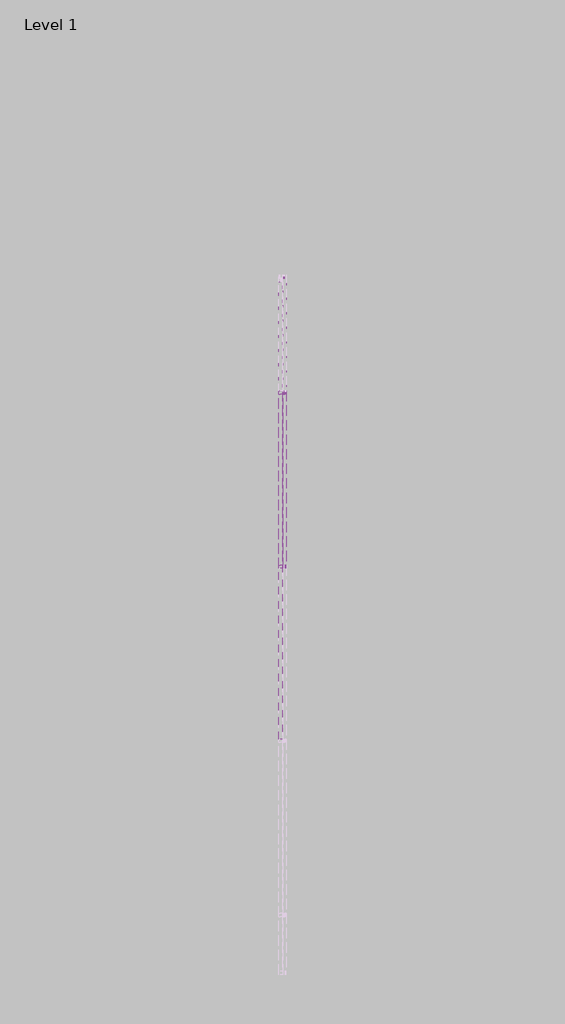
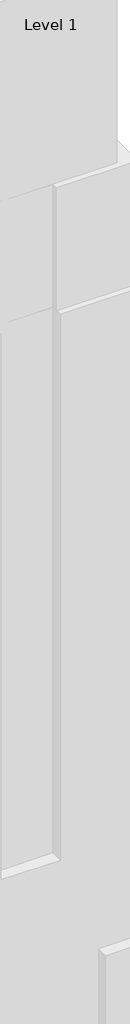
# One storey, part 28 of 29: 111 plates, 4 members.
"""IFC4 building model written with IfcOpenShell, lengths in millimetres."""

import ifcopenshell
import ifcopenshell.guid

model = None  # the IFC model being written
_history = None  # IfcOwnerHistory: only IFC2X3 demands one
_inside = {}  # id of a spatial element -> (the spatial element, [elements in it])
_under = {}  # id of a project, library or spatial element -> (it, [spatial elements below it])
_declared = {}  # id of a project -> (the project, [libraries it declares])
_typed = {}  # id of a type object -> (the type object, [elements of that type])
_made_of = {}  # id of a material, layer set ... -> (it, [elements and type objects made of it])


def new_model(schema):
    """Start an empty IFC model of exactly this schema.

    Asked for "IFC4X3", IfcOpenShell would pick the latest addendum, in which some entities
    have other attributes; the version numbers below select the first issue.
    IFC2X3 requires an IfcOwnerHistory on every rooted entity: one is made here for all.
    """
    global model, _history
    if schema == "IFC4X3":
        model = ifcopenshell.file(schema_version=(4, 3, 0, 0))
    else:
        model = ifcopenshell.file(schema=schema)
    _inside.clear()
    _under.clear()
    _declared.clear()
    _typed.clear()
    _made_of.clear()
    _history = None
    if model.schema == "IFC2X3":
        org = make("IfcOrganization", Name="unknown")
        user = make(
            "IfcPersonAndOrganization",
            ThePerson=make("IfcPerson", FamilyName="unknown"),
            TheOrganization=org,
        )
        app = make(
            "IfcApplication",
            ApplicationDeveloper=org,
            Version="unknown",
            ApplicationFullName="unknown",
            ApplicationIdentifier="unknown",
        )
        _history = make(
            "IfcOwnerHistory",
            OwningUser=user,
            OwningApplication=app,
            ChangeAction="ADDED",
            CreationDate=0,
        )
    return model


def make(cls, **values):
    """One entity of the class cls with the attributes given. An attribute that is None is left unset."""
    return model.create_entity(
        cls, **{name: value for name, value in values.items() if value is not None}
    )


def rooted(cls, **values):
    """An entity with a GlobalId (a new one), such as an element, a storey or a relation."""
    return make(cls, GlobalId=ifcopenshell.guid.new(), OwnerHistory=_history, **values)


def si_unit(unit_type, name, prefix=None):
    """IfcSIUnit, for example si_unit("LENGTHUNIT", "METRE", prefix="MILLI")."""
    return make("IfcSIUnit", UnitType=unit_type, Prefix=prefix, Name=name)


def assignment(units):
    """IfcUnitAssignment: the units of a project."""
    return None if units is None else make("IfcUnitAssignment", Units=units)


def point(xyz):
    """IfcCartesianPoint."""
    return None if xyz is None else make("IfcCartesianPoint", Coordinates=xyz)


def direction(xyz):
    """IfcDirection."""
    return None if xyz is None else make("IfcDirection", DirectionRatios=xyz)


def frame(location, z_axis=None, x_axis=None):
    """IfcAxis2Placement3D, a coordinate frame: its origin and axes. An axis left out is left unset."""
    return make(
        "IfcAxis2Placement3D",
        Location=point(location),
        Axis=direction(z_axis),
        RefDirection=direction(x_axis),
    )


def origin():
    """The frame at (0, 0, 0) with its axes left unset."""
    return frame((0.0, 0.0, 0.0))


def origin_with_axes():
    """The frame at (0, 0, 0) with the z axis (0, 0, 1) and the x axis (1, 0, 0) written out."""
    return frame((0.0, 0.0, 0.0), z_axis=(0.0, 0.0, 1.0), x_axis=(1.0, 0.0, 0.0))


def place(relative_to, where):
    """IfcLocalPlacement: puts the frame where relative to a parent placement (None: the world)."""
    return make(
        "IfcLocalPlacement", PlacementRelTo=relative_to, RelativePlacement=where
    )


def context(
    kind, dimensions, precision=None, world=None, true_north=None, identifier=None
):
    """IfcGeometricRepresentationContext, for example the 3D "Model" context."""
    return make(
        "IfcGeometricRepresentationContext",
        ContextIdentifier=identifier,
        ContextType=kind,
        CoordinateSpaceDimension=dimensions,
        Precision=precision,
        WorldCoordinateSystem=world,
        TrueNorth=true_north,
    )


def project(units=None, contexts=None):
    """IfcProject with its units and contexts."""
    return rooted(
        "IfcProject",
        Name="project",
        RepresentationContexts=contexts,
        UnitsInContext=assignment(units),
    )


def spatial(cls, under=None, at=None, **own):
    """A site, building, storey or space (cls), placed at a placement, below another one or the project."""
    s = rooted(cls, ObjectPlacement=at, **own)
    if under is not None:
        _under.setdefault(under.id(), (under, []))[1].append(s)
    return s


def polyline(points):
    """IfcPolyline through the points."""
    return make("IfcPolyline", Points=[point(p) for p in points])


def outline(outer, holes=None, kind="AREA"):
    """IfcArbitraryClosedProfileDef: a profile drawn as a closed curve; with holes, ...WithVoids."""
    if holes is None:
        return make("IfcArbitraryClosedProfileDef", ProfileType=kind, OuterCurve=outer)
    return make(
        "IfcArbitraryProfileDefWithVoids",
        ProfileType=kind,
        OuterCurve=outer,
        InnerCurves=holes,
    )


def extrude(swept, where, along, depth):
    """IfcExtrudedAreaSolid: the profile swept, set in the frame where, extruded along a direction by depth."""
    return make(
        "IfcExtrudedAreaSolid",
        SweptArea=swept,
        Position=where,
        ExtrudedDirection=direction(along),
        Depth=depth,
    )


def shape(context_of_items, identifier, shape_type, items):
    """IfcShapeRepresentation: the items that make up one representation, for example the "Body"."""
    return make(
        "IfcShapeRepresentation",
        ContextOfItems=context_of_items,
        RepresentationIdentifier=identifier,
        RepresentationType=shape_type,
        Items=items,
    )


def source(mapping_origin, context_of_items, identifier, shape_type, items):
    """IfcRepresentationMap: a shape defined once, which mapped items show again and again."""
    return make(
        "IfcRepresentationMap",
        MappingOrigin=mapping_origin,
        MappedRepresentation=shape(context_of_items, identifier, shape_type, items),
    )


def transform(
    local_origin,
    x_axis=None,
    y_axis=None,
    z_axis=None,
    scale=None,
    scale2=None,
    scale3=None,
    uniform=True,
):
    """IfcCartesianTransformationOperator3D, or its non-uniform kind. x_axis, y_axis, z_axis: its Axis1, 2, 3."""
    if uniform:
        return make(
            "IfcCartesianTransformationOperator3D",
            Axis1=direction(x_axis),
            Axis2=direction(y_axis),
            LocalOrigin=point(local_origin),
            Scale=scale,
            Axis3=direction(z_axis),
        )
    return make(
        "IfcCartesianTransformationOperator3DnonUniform",
        Axis1=direction(x_axis),
        Axis2=direction(y_axis),
        LocalOrigin=point(local_origin),
        Scale=scale,
        Axis3=direction(z_axis),
        Scale2=scale2,
        Scale3=scale3,
    )


def mapped(mapping_source, mapping_target):
    """IfcMappedItem: shows the shape of a source again, moved by a transform."""
    return make(
        "IfcMappedItem", MappingSource=mapping_source, MappingTarget=mapping_target
    )


def made_of(thing, what):
    """Note that an element or type object is made of a material, layer set ...; save() writes the relation."""
    if what is not None:
        _made_of.setdefault(what.id(), (what, []))[1].append(thing)
    return thing


def element(
    cls,
    number,
    at=None,
    inside=None,
    cuts=None,
    type_object=None,
    material=None,
    context=None,
    identifier="Body",
    shape_type=None,
    held_by="IfcProductDefinitionShape",
    body=None,
    shapes=None,
    **own,
):
    """One element of the class cls, such as IfcWall. Its Tag is "e" and its number.

    at: its placement. inside: the storey or other place that contains it. cuts: it is an
    opening in that element (IfcRelVoidsElement). A single representation is given by context,
    identifier, shape_type and body (its items); several are given by shapes. held_by: the class
    of the entity that holds the representations. save() writes the other relations.
    """
    e = rooted(cls, Tag="e%d" % number, ObjectPlacement=at, **own)
    if body is not None:
        shapes = [shape(context, identifier, shape_type, body)]
    if shapes is not None:
        e.Representation = make(held_by, Representations=shapes)
    if inside is not None:
        _inside.setdefault(inside.id(), (inside, []))[1].append(e)
    if cuts is not None:
        rooted(
            "IfcRelVoidsElement", RelatingBuildingElement=cuts, RelatedOpeningElement=e
        )
    if type_object is not None:
        _typed.setdefault(type_object.id(), (type_object, []))[1].append(e)
    return made_of(e, material)


def aggregate(whole, parts):
    """IfcRelAggregates: a whole, such as a stair, and the parts it consists of."""
    return rooted("IfcRelAggregates", RelatingObject=whole, RelatedObjects=parts)


def save(model, path):
    """Write the relations noted so far, then the file.

    IfcRelAggregates (storeys below a building ...), IfcRelContainedInSpatialStructure (elements
    in a storey), IfcRelDefinesByType, IfcRelAssociatesMaterial and IfcRelDeclares: one each for
    every whole, place, type object, material and project.
    """
    for whole, parts in _under.values():
        aggregate(whole, parts)
    for where, things in _inside.values():
        rooted(
            "IfcRelContainedInSpatialStructure",
            RelatedElements=things,
            RelatingStructure=where,
        )
    for kind, things in _typed.values():
        rooted("IfcRelDefinesByType", RelatedObjects=things, RelatingType=kind)
    for what, things in _made_of.values():
        rooted("IfcRelAssociatesMaterial", RelatedObjects=things, RelatingMaterial=what)
    for by, libraries in _declared.values():
        rooted("IfcRelDeclares", RelatingContext=by, RelatedDefinitions=libraries)
    model.write(path)


def rectangular_mullion_30mm_square_0448d2ee(model_context):
    return source(origin(), model_context, "Body", "SweptSolid", [
        extrude(outline(polyline([(0.0, 15.0), (0.0, -15.0), (-30.0, -15.0), (-30.0, 15.0), (0.0, 15.0)])), frame((0.0, 0.0, -1500.0), z_axis=(0.0, 0.0, 1.0), x_axis=(1.0, 0.0, 0.0)), (0.0, 0.0, 1.0), 1500.0),
    ])


def rectangular_mullion_30mm_square_caf78da9(model_context):
    return source(origin(), model_context, "Body", "SweptSolid", [
        extrude(outline(polyline([(0.0, 15.0), (0.0, -15.0), (-30.0, -15.0), (-30.0, 15.0), (0.0, 15.0)])), frame((0.0, 0.0, -970.0), z_axis=(0.0, 0.0, 1.0), x_axis=(1.0, 0.0, 0.0)), (0.0, 0.0, 1.0), 970.0),
    ])


def system_panel_glazed_328a1fc4(model_context):
    return source(origin(), model_context, "Body", "SweptSolid", [
        extrude(outline(polyline([(750.0, -49.5), (-750.0, -49.5), (-750.0, -24.5), (750.0, -24.5), (750.0, -49.5)])), origin_with_axes(), (0.0, 0.0, 1.0), 2500.0),
    ])


def system_panel_glazed_46baef61(model_context):
    return source(origin(), model_context, "Body", "SweptSolid", [
        extrude(outline(polyline([(500.0, -49.5), (-500.0, -49.5), (-500.0, -24.5), (500.0, -24.5), (500.0, -49.5)])), origin_with_axes(), (0.0, 0.0, 1.0), 2500.0),
    ])


def system_panel_glazed_00ce7913(model_context):
    return source(origin(), model_context, "Body", "SweptSolid", [
        extrude(outline(polyline([(750.0, -49.5), (-750.0, -49.5), (-750.0, -24.5), (750.0, -24.5), (750.0, -49.5)])), origin_with_axes(), (0.0, 0.0, 1.0), 2300.0),
    ])


model = new_model("IFC4")

# Units and contexts
model_context = context("Model", 3, world=origin())
ifc_project = project(units=[si_unit("LENGTHUNIT", "METRE", prefix="MILLI")], contexts=[model_context])

# Site, building, storey
site = spatial("IfcSite", under=ifc_project)
building = spatial("IfcBuilding", under=site)
storey = spatial("IfcBuildingStorey", under=building, Name="Level 1", Elevation=0.0)

# Members
placement = place(None, origin())
rectangular_mullion_30mm_square_shape = rectangular_mullion_30mm_square_0448d2ee(model_context)
element("IfcMember", 1, ObjectType="Rectangular Mullion : 30mm Square", at=placement, inside=storey, context=model_context, shape_type="MappedRepresentation", body=[
    mapped(rectangular_mullion_30mm_square_shape, transform((27779.9951476, 18553.1129705, 300200.0), x_axis=(0.0, 0.0, 1.0), y_axis=(1.0, 0.0, 0.0), z_axis=(0.0, 1.0, 0.0))),
])
element("IfcMember", 2, ObjectType="Rectangular Mullion : 30mm Square", at=placement, inside=storey, context=model_context, shape_type="MappedRepresentation", body=[
    mapped(rectangular_mullion_30mm_square_shape, transform((27779.9951476, 20053.1129705, 300200.0), x_axis=(0.0, 0.0, 1.0), y_axis=(1.0, 0.0, 0.0), z_axis=(0.0, 1.0, 0.0))),
])
element("IfcMember", 3, ObjectType="Rectangular Mullion : 30mm Square", at=placement, inside=storey, context=model_context, shape_type="MappedRepresentation", body=[
    mapped(rectangular_mullion_30mm_square_shape, transform((27779.9951476, 18553.1129705, 140400.0), x_axis=(0.0, 0.0, -1.0), y_axis=(1.0, 0.0, 0.0), z_axis=(0.0, -1.0, 0.0))),
])
rectangular_mullion_30mm_square_2_shape = rectangular_mullion_30mm_square_caf78da9(model_context)
element("IfcMember", 4, ObjectType="Rectangular Mullion : 30mm Square", at=placement, inside=storey, context=model_context, shape_type="MappedRepresentation", body=[
    mapped(rectangular_mullion_30mm_square_2_shape, transform((27779.9951476, 20053.1129705, 140400.0), x_axis=(0.0, 0.0, -1.0), y_axis=(1.0, 0.0, 0.0), z_axis=(0.0, -1.0, 0.0))),
])

# Plates
system_panel_glazed_shape = system_panel_glazed_328a1fc4(model_context)
element("IfcPlate", 5, ObjectType="System Panel : Glazed", at=placement, inside=storey, context=model_context, shape_type="MappedRepresentation", body=[
    mapped(system_panel_glazed_shape, transform((27779.9951476, 19303.1129705, 140400.0), x_axis=(0.0, 1.0, 0.0), y_axis=(-1.0, 0.0, 0.0), z_axis=(0.0, 0.0, 1.0))),
])
element("IfcPlate", 6, ObjectType="System Panel : Glazed", at=placement, inside=storey, context=model_context, shape_type="MappedRepresentation", body=[
    mapped(system_panel_glazed_shape, transform((27779.9951476, 19303.1129705, 142900.0), x_axis=(0.0, 1.0, 0.0), y_axis=(-1.0, 0.0, 0.0), z_axis=(0.0, 0.0, 1.0))),
])
element("IfcPlate", 7, ObjectType="System Panel : Glazed", at=placement, inside=storey, context=model_context, shape_type="MappedRepresentation", body=[
    mapped(system_panel_glazed_shape, transform((27779.9951476, 19303.1129705, 145400.0), x_axis=(0.0, 1.0, 0.0), y_axis=(-1.0, 0.0, 0.0), z_axis=(0.0, 0.0, 1.0))),
])
element("IfcPlate", 8, ObjectType="System Panel : Glazed", at=placement, inside=storey, context=model_context, shape_type="MappedRepresentation", body=[
    mapped(system_panel_glazed_shape, transform((27779.9951476, 19303.1129705, 147900.0), x_axis=(0.0, 1.0, 0.0), y_axis=(-1.0, 0.0, 0.0), z_axis=(0.0, 0.0, 1.0))),
])
element("IfcPlate", 9, ObjectType="System Panel : Glazed", at=placement, inside=storey, context=model_context, shape_type="MappedRepresentation", body=[
    mapped(system_panel_glazed_shape, transform((27779.9951476, 19303.1129705, 150400.0), x_axis=(0.0, 1.0, 0.0), y_axis=(-1.0, 0.0, 0.0), z_axis=(0.0, 0.0, 1.0))),
])
element("IfcPlate", 10, ObjectType="System Panel : Glazed", at=placement, inside=storey, context=model_context, shape_type="MappedRepresentation", body=[
    mapped(system_panel_glazed_shape, transform((27779.9951476, 19303.1129705, 152900.0), x_axis=(0.0, 1.0, 0.0), y_axis=(-1.0, 0.0, 0.0), z_axis=(0.0, 0.0, 1.0))),
])
element("IfcPlate", 11, ObjectType="System Panel : Glazed", at=placement, inside=storey, context=model_context, shape_type="MappedRepresentation", body=[
    mapped(system_panel_glazed_shape, transform((27779.9951476, 19303.1129705, 155400.0), x_axis=(0.0, 1.0, 0.0), y_axis=(-1.0, 0.0, 0.0), z_axis=(0.0, 0.0, 1.0))),
])
element("IfcPlate", 12, ObjectType="System Panel : Glazed", at=placement, inside=storey, context=model_context, shape_type="MappedRepresentation", body=[
    mapped(system_panel_glazed_shape, transform((27779.9951476, 19303.1129705, 157900.0), x_axis=(0.0, 1.0, 0.0), y_axis=(-1.0, 0.0, 0.0), z_axis=(0.0, 0.0, 1.0))),
])
element("IfcPlate", 13, ObjectType="System Panel : Glazed", at=placement, inside=storey, context=model_context, shape_type="MappedRepresentation", body=[
    mapped(system_panel_glazed_shape, transform((27779.9951476, 19303.1129705, 160400.0), x_axis=(0.0, 1.0, 0.0), y_axis=(-1.0, 0.0, 0.0), z_axis=(0.0, 0.0, 1.0))),
])
element("IfcPlate", 14, ObjectType="System Panel : Glazed", at=placement, inside=storey, context=model_context, shape_type="MappedRepresentation", body=[
    mapped(system_panel_glazed_shape, transform((27779.9951476, 19303.1129705, 162900.0), x_axis=(0.0, 1.0, 0.0), y_axis=(-1.0, 0.0, 0.0), z_axis=(0.0, 0.0, 1.0))),
])
element("IfcPlate", 15, ObjectType="System Panel : Glazed", at=placement, inside=storey, context=model_context, shape_type="MappedRepresentation", body=[
    mapped(system_panel_glazed_shape, transform((27779.9951476, 19303.1129705, 165400.0), x_axis=(0.0, 1.0, 0.0), y_axis=(-1.0, 0.0, 0.0), z_axis=(0.0, 0.0, 1.0))),
])
element("IfcPlate", 16, ObjectType="System Panel : Glazed", at=placement, inside=storey, context=model_context, shape_type="MappedRepresentation", body=[
    mapped(system_panel_glazed_shape, transform((27779.9951476, 19303.1129705, 167900.0), x_axis=(0.0, 1.0, 0.0), y_axis=(-1.0, 0.0, 0.0), z_axis=(0.0, 0.0, 1.0))),
])
element("IfcPlate", 17, ObjectType="System Panel : Glazed", at=placement, inside=storey, context=model_context, shape_type="MappedRepresentation", body=[
    mapped(system_panel_glazed_shape, transform((27779.9951476, 19303.1129705, 170400.0), x_axis=(0.0, 1.0, 0.0), y_axis=(-1.0, 0.0, 0.0), z_axis=(0.0, 0.0, 1.0))),
])
element("IfcPlate", 18, ObjectType="System Panel : Glazed", at=placement, inside=storey, context=model_context, shape_type="MappedRepresentation", body=[
    mapped(system_panel_glazed_shape, transform((27779.9951476, 19303.1129705, 172900.0), x_axis=(0.0, 1.0, 0.0), y_axis=(-1.0, 0.0, 0.0), z_axis=(0.0, 0.0, 1.0))),
])
element("IfcPlate", 19, ObjectType="System Panel : Glazed", at=placement, inside=storey, context=model_context, shape_type="MappedRepresentation", body=[
    mapped(system_panel_glazed_shape, transform((27779.9951476, 19303.1129705, 175400.0), x_axis=(0.0, 1.0, 0.0), y_axis=(-1.0, 0.0, 0.0), z_axis=(0.0, 0.0, 1.0))),
])
element("IfcPlate", 20, ObjectType="System Panel : Glazed", at=placement, inside=storey, context=model_context, shape_type="MappedRepresentation", body=[
    mapped(system_panel_glazed_shape, transform((27779.9951476, 19303.1129705, 177900.0), x_axis=(0.0, 1.0, 0.0), y_axis=(-1.0, 0.0, 0.0), z_axis=(0.0, 0.0, 1.0))),
])
element("IfcPlate", 21, ObjectType="System Panel : Glazed", at=placement, inside=storey, context=model_context, shape_type="MappedRepresentation", body=[
    mapped(system_panel_glazed_shape, transform((27779.9951476, 19303.1129705, 180400.0), x_axis=(0.0, 1.0, 0.0), y_axis=(-1.0, 0.0, 0.0), z_axis=(0.0, 0.0, 1.0))),
])
element("IfcPlate", 22, ObjectType="System Panel : Glazed", at=placement, inside=storey, context=model_context, shape_type="MappedRepresentation", body=[
    mapped(system_panel_glazed_shape, transform((27779.9951476, 19303.1129705, 182900.0), x_axis=(0.0, 1.0, 0.0), y_axis=(-1.0, 0.0, 0.0), z_axis=(0.0, 0.0, 1.0))),
])
element("IfcPlate", 23, ObjectType="System Panel : Glazed", at=placement, inside=storey, context=model_context, shape_type="MappedRepresentation", body=[
    mapped(system_panel_glazed_shape, transform((27779.9951476, 19303.1129705, 185400.0), x_axis=(0.0, 1.0, 0.0), y_axis=(-1.0, 0.0, 0.0), z_axis=(0.0, 0.0, 1.0))),
])
element("IfcPlate", 24, ObjectType="System Panel : Glazed", at=placement, inside=storey, context=model_context, shape_type="MappedRepresentation", body=[
    mapped(system_panel_glazed_shape, transform((27779.9951476, 19303.1129705, 187900.0), x_axis=(0.0, 1.0, 0.0), y_axis=(-1.0, 0.0, 0.0), z_axis=(0.0, 0.0, 1.0))),
])
element("IfcPlate", 25, ObjectType="System Panel : Glazed", at=placement, inside=storey, context=model_context, shape_type="MappedRepresentation", body=[
    mapped(system_panel_glazed_shape, transform((27779.9951476, 19303.1129705, 190400.0), x_axis=(0.0, 1.0, 0.0), y_axis=(-1.0, 0.0, 0.0), z_axis=(0.0, 0.0, 1.0))),
])
element("IfcPlate", 26, ObjectType="System Panel : Glazed", at=placement, inside=storey, context=model_context, shape_type="MappedRepresentation", body=[
    mapped(system_panel_glazed_shape, transform((27779.9951476, 19303.1129705, 192900.0), x_axis=(0.0, 1.0, 0.0), y_axis=(-1.0, 0.0, 0.0), z_axis=(0.0, 0.0, 1.0))),
])
element("IfcPlate", 27, ObjectType="System Panel : Glazed", at=placement, inside=storey, context=model_context, shape_type="MappedRepresentation", body=[
    mapped(system_panel_glazed_shape, transform((27779.9951476, 19303.1129705, 195400.0), x_axis=(0.0, 1.0, 0.0), y_axis=(-1.0, 0.0, 0.0), z_axis=(0.0, 0.0, 1.0))),
])
element("IfcPlate", 28, ObjectType="System Panel : Glazed", at=placement, inside=storey, context=model_context, shape_type="MappedRepresentation", body=[
    mapped(system_panel_glazed_shape, transform((27779.9951476, 19303.1129705, 197900.0), x_axis=(0.0, 1.0, 0.0), y_axis=(-1.0, 0.0, 0.0), z_axis=(0.0, 0.0, 1.0))),
])
element("IfcPlate", 29, ObjectType="System Panel : Glazed", at=placement, inside=storey, context=model_context, shape_type="MappedRepresentation", body=[
    mapped(system_panel_glazed_shape, transform((27779.9951476, 19303.1129705, 200400.0), x_axis=(0.0, 1.0, 0.0), y_axis=(-1.0, 0.0, 0.0), z_axis=(0.0, 0.0, 1.0))),
])
element("IfcPlate", 30, ObjectType="System Panel : Glazed", at=placement, inside=storey, context=model_context, shape_type="MappedRepresentation", body=[
    mapped(system_panel_glazed_shape, transform((27779.9951476, 19303.1129705, 202900.0), x_axis=(0.0, 1.0, 0.0), y_axis=(-1.0, 0.0, 0.0), z_axis=(0.0, 0.0, 1.0))),
])
element("IfcPlate", 31, ObjectType="System Panel : Glazed", at=placement, inside=storey, context=model_context, shape_type="MappedRepresentation", body=[
    mapped(system_panel_glazed_shape, transform((27779.9951476, 19303.1129705, 205400.0), x_axis=(0.0, 1.0, 0.0), y_axis=(-1.0, 0.0, 0.0), z_axis=(0.0, 0.0, 1.0))),
])
element("IfcPlate", 32, ObjectType="System Panel : Glazed", at=placement, inside=storey, context=model_context, shape_type="MappedRepresentation", body=[
    mapped(system_panel_glazed_shape, transform((27779.9951476, 19303.1129705, 207900.0), x_axis=(0.0, 1.0, 0.0), y_axis=(-1.0, 0.0, 0.0), z_axis=(0.0, 0.0, 1.0))),
])
element("IfcPlate", 33, ObjectType="System Panel : Glazed", at=placement, inside=storey, context=model_context, shape_type="MappedRepresentation", body=[
    mapped(system_panel_glazed_shape, transform((27779.9951476, 19303.1129705, 210400.0), x_axis=(0.0, 1.0, 0.0), y_axis=(-1.0, 0.0, 0.0), z_axis=(0.0, 0.0, 1.0))),
])
element("IfcPlate", 34, ObjectType="System Panel : Glazed", at=placement, inside=storey, context=model_context, shape_type="MappedRepresentation", body=[
    mapped(system_panel_glazed_shape, transform((27779.9951476, 19303.1129705, 212900.0), x_axis=(0.0, 1.0, 0.0), y_axis=(-1.0, 0.0, 0.0), z_axis=(0.0, 0.0, 1.0))),
])
element("IfcPlate", 35, ObjectType="System Panel : Glazed", at=placement, inside=storey, context=model_context, shape_type="MappedRepresentation", body=[
    mapped(system_panel_glazed_shape, transform((27779.9951476, 19303.1129705, 215400.0), x_axis=(0.0, 1.0, 0.0), y_axis=(-1.0, 0.0, 0.0), z_axis=(0.0, 0.0, 1.0))),
])
element("IfcPlate", 36, ObjectType="System Panel : Glazed", at=placement, inside=storey, context=model_context, shape_type="MappedRepresentation", body=[
    mapped(system_panel_glazed_shape, transform((27779.9951476, 19303.1129705, 217900.0), x_axis=(0.0, 1.0, 0.0), y_axis=(-1.0, 0.0, 0.0), z_axis=(0.0, 0.0, 1.0))),
])
element("IfcPlate", 37, ObjectType="System Panel : Glazed", at=placement, inside=storey, context=model_context, shape_type="MappedRepresentation", body=[
    mapped(system_panel_glazed_shape, transform((27779.9951476, 19303.1129705, 220400.0), x_axis=(0.0, 1.0, 0.0), y_axis=(-1.0, 0.0, 0.0), z_axis=(0.0, 0.0, 1.0))),
])
element("IfcPlate", 38, ObjectType="System Panel : Glazed", at=placement, inside=storey, context=model_context, shape_type="MappedRepresentation", body=[
    mapped(system_panel_glazed_shape, transform((27779.9951476, 19303.1129705, 222900.0), x_axis=(0.0, 1.0, 0.0), y_axis=(-1.0, 0.0, 0.0), z_axis=(0.0, 0.0, 1.0))),
])
element("IfcPlate", 39, ObjectType="System Panel : Glazed", at=placement, inside=storey, context=model_context, shape_type="MappedRepresentation", body=[
    mapped(system_panel_glazed_shape, transform((27779.9951476, 19303.1129705, 225400.0), x_axis=(0.0, 1.0, 0.0), y_axis=(-1.0, 0.0, 0.0), z_axis=(0.0, 0.0, 1.0))),
])
element("IfcPlate", 40, ObjectType="System Panel : Glazed", at=placement, inside=storey, context=model_context, shape_type="MappedRepresentation", body=[
    mapped(system_panel_glazed_shape, transform((27779.9951476, 19303.1129705, 227900.0), x_axis=(0.0, 1.0, 0.0), y_axis=(-1.0, 0.0, 0.0), z_axis=(0.0, 0.0, 1.0))),
])
element("IfcPlate", 41, ObjectType="System Panel : Glazed", at=placement, inside=storey, context=model_context, shape_type="MappedRepresentation", body=[
    mapped(system_panel_glazed_shape, transform((27779.9951476, 19303.1129705, 230400.0), x_axis=(0.0, 1.0, 0.0), y_axis=(-1.0, 0.0, 0.0), z_axis=(0.0, 0.0, 1.0))),
])
element("IfcPlate", 42, ObjectType="System Panel : Glazed", at=placement, inside=storey, context=model_context, shape_type="MappedRepresentation", body=[
    mapped(system_panel_glazed_shape, transform((27779.9951476, 19303.1129705, 232900.0), x_axis=(0.0, 1.0, 0.0), y_axis=(-1.0, 0.0, 0.0), z_axis=(0.0, 0.0, 1.0))),
])
element("IfcPlate", 43, ObjectType="System Panel : Glazed", at=placement, inside=storey, context=model_context, shape_type="MappedRepresentation", body=[
    mapped(system_panel_glazed_shape, transform((27779.9951476, 19303.1129705, 235400.0), x_axis=(0.0, 1.0, 0.0), y_axis=(-1.0, 0.0, 0.0), z_axis=(0.0, 0.0, 1.0))),
])
element("IfcPlate", 44, ObjectType="System Panel : Glazed", at=placement, inside=storey, context=model_context, shape_type="MappedRepresentation", body=[
    mapped(system_panel_glazed_shape, transform((27779.9951476, 19303.1129705, 237900.0), x_axis=(0.0, 1.0, 0.0), y_axis=(-1.0, 0.0, 0.0), z_axis=(0.0, 0.0, 1.0))),
])
element("IfcPlate", 45, ObjectType="System Panel : Glazed", at=placement, inside=storey, context=model_context, shape_type="MappedRepresentation", body=[
    mapped(system_panel_glazed_shape, transform((27779.9951476, 19303.1129705, 240400.0), x_axis=(0.0, 1.0, 0.0), y_axis=(-1.0, 0.0, 0.0), z_axis=(0.0, 0.0, 1.0))),
])
element("IfcPlate", 46, ObjectType="System Panel : Glazed", at=placement, inside=storey, context=model_context, shape_type="MappedRepresentation", body=[
    mapped(system_panel_glazed_shape, transform((27779.9951476, 19303.1129705, 242900.0), x_axis=(0.0, 1.0, 0.0), y_axis=(-1.0, 0.0, 0.0), z_axis=(0.0, 0.0, 1.0))),
])
element("IfcPlate", 47, ObjectType="System Panel : Glazed", at=placement, inside=storey, context=model_context, shape_type="MappedRepresentation", body=[
    mapped(system_panel_glazed_shape, transform((27779.9951476, 19303.1129705, 245400.0), x_axis=(0.0, 1.0, 0.0), y_axis=(-1.0, 0.0, 0.0), z_axis=(0.0, 0.0, 1.0))),
])
element("IfcPlate", 48, ObjectType="System Panel : Glazed", at=placement, inside=storey, context=model_context, shape_type="MappedRepresentation", body=[
    mapped(system_panel_glazed_shape, transform((27779.9951476, 19303.1129705, 247900.0), x_axis=(0.0, 1.0, 0.0), y_axis=(-1.0, 0.0, 0.0), z_axis=(0.0, 0.0, 1.0))),
])
element("IfcPlate", 49, ObjectType="System Panel : Glazed", at=placement, inside=storey, context=model_context, shape_type="MappedRepresentation", body=[
    mapped(system_panel_glazed_shape, transform((27779.9951476, 19303.1129705, 250400.0), x_axis=(0.0, 1.0, 0.0), y_axis=(-1.0, 0.0, 0.0), z_axis=(0.0, 0.0, 1.0))),
])
element("IfcPlate", 50, ObjectType="System Panel : Glazed", at=placement, inside=storey, context=model_context, shape_type="MappedRepresentation", body=[
    mapped(system_panel_glazed_shape, transform((27779.9951476, 19303.1129705, 252900.0), x_axis=(0.0, 1.0, 0.0), y_axis=(-1.0, 0.0, 0.0), z_axis=(0.0, 0.0, 1.0))),
])
element("IfcPlate", 51, ObjectType="System Panel : Glazed", at=placement, inside=storey, context=model_context, shape_type="MappedRepresentation", body=[
    mapped(system_panel_glazed_shape, transform((27779.9951476, 19303.1129705, 255400.0), x_axis=(0.0, 1.0, 0.0), y_axis=(-1.0, 0.0, 0.0), z_axis=(0.0, 0.0, 1.0))),
])
element("IfcPlate", 52, ObjectType="System Panel : Glazed", at=placement, inside=storey, context=model_context, shape_type="MappedRepresentation", body=[
    mapped(system_panel_glazed_shape, transform((27779.9951476, 19303.1129705, 257900.0), x_axis=(0.0, 1.0, 0.0), y_axis=(-1.0, 0.0, 0.0), z_axis=(0.0, 0.0, 1.0))),
])
element("IfcPlate", 53, ObjectType="System Panel : Glazed", at=placement, inside=storey, context=model_context, shape_type="MappedRepresentation", body=[
    mapped(system_panel_glazed_shape, transform((27779.9951476, 19303.1129705, 260400.0), x_axis=(0.0, 1.0, 0.0), y_axis=(-1.0, 0.0, 0.0), z_axis=(0.0, 0.0, 1.0))),
])
element("IfcPlate", 54, ObjectType="System Panel : Glazed", at=placement, inside=storey, context=model_context, shape_type="MappedRepresentation", body=[
    mapped(system_panel_glazed_shape, transform((27779.9951476, 19303.1129705, 262900.0), x_axis=(0.0, 1.0, 0.0), y_axis=(-1.0, 0.0, 0.0), z_axis=(0.0, 0.0, 1.0))),
])
element("IfcPlate", 55, ObjectType="System Panel : Glazed", at=placement, inside=storey, context=model_context, shape_type="MappedRepresentation", body=[
    mapped(system_panel_glazed_shape, transform((27779.9951476, 19303.1129705, 265400.0), x_axis=(0.0, 1.0, 0.0), y_axis=(-1.0, 0.0, 0.0), z_axis=(0.0, 0.0, 1.0))),
])
element("IfcPlate", 56, ObjectType="System Panel : Glazed", at=placement, inside=storey, context=model_context, shape_type="MappedRepresentation", body=[
    mapped(system_panel_glazed_shape, transform((27779.9951476, 19303.1129705, 267900.0), x_axis=(0.0, 1.0, 0.0), y_axis=(-1.0, 0.0, 0.0), z_axis=(0.0, 0.0, 1.0))),
])
element("IfcPlate", 57, ObjectType="System Panel : Glazed", at=placement, inside=storey, context=model_context, shape_type="MappedRepresentation", body=[
    mapped(system_panel_glazed_shape, transform((27779.9951476, 19303.1129705, 270400.0), x_axis=(0.0, 1.0, 0.0), y_axis=(-1.0, 0.0, 0.0), z_axis=(0.0, 0.0, 1.0))),
])
element("IfcPlate", 58, ObjectType="System Panel : Glazed", at=placement, inside=storey, context=model_context, shape_type="MappedRepresentation", body=[
    mapped(system_panel_glazed_shape, transform((27779.9951476, 19303.1129705, 272900.0), x_axis=(0.0, 1.0, 0.0), y_axis=(-1.0, 0.0, 0.0), z_axis=(0.0, 0.0, 1.0))),
])
element("IfcPlate", 59, ObjectType="System Panel : Glazed", at=placement, inside=storey, context=model_context, shape_type="MappedRepresentation", body=[
    mapped(system_panel_glazed_shape, transform((27779.9951476, 19303.1129705, 275400.0), x_axis=(0.0, 1.0, 0.0), y_axis=(-1.0, 0.0, 0.0), z_axis=(0.0, 0.0, 1.0))),
])
element("IfcPlate", 60, ObjectType="System Panel : Glazed", at=placement, inside=storey, context=model_context, shape_type="MappedRepresentation", body=[
    mapped(system_panel_glazed_shape, transform((27779.9951476, 19303.1129705, 277900.0), x_axis=(0.0, 1.0, 0.0), y_axis=(-1.0, 0.0, 0.0), z_axis=(0.0, 0.0, 1.0))),
])
element("IfcPlate", 61, ObjectType="System Panel : Glazed", at=placement, inside=storey, context=model_context, shape_type="MappedRepresentation", body=[
    mapped(system_panel_glazed_shape, transform((27779.9951476, 19303.1129705, 280400.0), x_axis=(0.0, 1.0, 0.0), y_axis=(-1.0, 0.0, 0.0), z_axis=(0.0, 0.0, 1.0))),
])
element("IfcPlate", 62, ObjectType="System Panel : Glazed", at=placement, inside=storey, context=model_context, shape_type="MappedRepresentation", body=[
    mapped(system_panel_glazed_shape, transform((27779.9951476, 19303.1129705, 282900.0), x_axis=(0.0, 1.0, 0.0), y_axis=(-1.0, 0.0, 0.0), z_axis=(0.0, 0.0, 1.0))),
])
element("IfcPlate", 63, ObjectType="System Panel : Glazed", at=placement, inside=storey, context=model_context, shape_type="MappedRepresentation", body=[
    mapped(system_panel_glazed_shape, transform((27779.9951476, 19303.1129705, 285400.0), x_axis=(0.0, 1.0, 0.0), y_axis=(-1.0, 0.0, 0.0), z_axis=(0.0, 0.0, 1.0))),
])
element("IfcPlate", 64, ObjectType="System Panel : Glazed", at=placement, inside=storey, context=model_context, shape_type="MappedRepresentation", body=[
    mapped(system_panel_glazed_shape, transform((27779.9951476, 19303.1129705, 287900.0), x_axis=(0.0, 1.0, 0.0), y_axis=(-1.0, 0.0, 0.0), z_axis=(0.0, 0.0, 1.0))),
])
element("IfcPlate", 65, ObjectType="System Panel : Glazed", at=placement, inside=storey, context=model_context, shape_type="MappedRepresentation", body=[
    mapped(system_panel_glazed_shape, transform((27779.9951476, 19303.1129705, 290400.0), x_axis=(0.0, 1.0, 0.0), y_axis=(-1.0, 0.0, 0.0), z_axis=(0.0, 0.0, 1.0))),
])
element("IfcPlate", 66, ObjectType="System Panel : Glazed", at=placement, inside=storey, context=model_context, shape_type="MappedRepresentation", body=[
    mapped(system_panel_glazed_shape, transform((27779.9951476, 19303.1129705, 292900.0), x_axis=(0.0, 1.0, 0.0), y_axis=(-1.0, 0.0, 0.0), z_axis=(0.0, 0.0, 1.0))),
])
element("IfcPlate", 67, ObjectType="System Panel : Glazed", at=placement, inside=storey, context=model_context, shape_type="MappedRepresentation", body=[
    mapped(system_panel_glazed_shape, transform((27779.9951476, 19303.1129705, 295400.0), x_axis=(0.0, 1.0, 0.0), y_axis=(-1.0, 0.0, 0.0), z_axis=(0.0, 0.0, 1.0))),
])
system_panel_glazed_2_shape = system_panel_glazed_46baef61(model_context)
element("IfcPlate", 68, ObjectType="System Panel : Glazed", at=placement, inside=storey, context=model_context, shape_type="MappedRepresentation", body=[
    mapped(system_panel_glazed_2_shape, transform((27779.9951476, 20553.1129705, 140400.0), x_axis=(0.0, 1.0, 0.0), y_axis=(-1.0, 0.0, 0.0), z_axis=(0.0, 0.0, 1.0))),
])
element("IfcPlate", 69, ObjectType="System Panel : Glazed", at=placement, inside=storey, context=model_context, shape_type="MappedRepresentation", body=[
    mapped(system_panel_glazed_2_shape, transform((27779.9951476, 20553.1129705, 142900.0), x_axis=(0.0, 1.0, 0.0), y_axis=(-1.0, 0.0, 0.0), z_axis=(0.0, 0.0, 1.0))),
])
element("IfcPlate", 70, ObjectType="System Panel : Glazed", at=placement, inside=storey, context=model_context, shape_type="MappedRepresentation", body=[
    mapped(system_panel_glazed_2_shape, transform((27779.9951476, 20553.1129705, 145400.0), x_axis=(0.0, 1.0, 0.0), y_axis=(-1.0, 0.0, 0.0), z_axis=(0.0, 0.0, 1.0))),
])
element("IfcPlate", 71, ObjectType="System Panel : Glazed", at=placement, inside=storey, context=model_context, shape_type="MappedRepresentation", body=[
    mapped(system_panel_glazed_2_shape, transform((27779.9951476, 20553.1129705, 147900.0), x_axis=(0.0, 1.0, 0.0), y_axis=(-1.0, 0.0, 0.0), z_axis=(0.0, 0.0, 1.0))),
])
element("IfcPlate", 72, ObjectType="System Panel : Glazed", at=placement, inside=storey, context=model_context, shape_type="MappedRepresentation", body=[
    mapped(system_panel_glazed_2_shape, transform((27779.9951476, 20553.1129705, 150400.0), x_axis=(0.0, 1.0, 0.0), y_axis=(-1.0, 0.0, 0.0), z_axis=(0.0, 0.0, 1.0))),
])
element("IfcPlate", 73, ObjectType="System Panel : Glazed", at=placement, inside=storey, context=model_context, shape_type="MappedRepresentation", body=[
    mapped(system_panel_glazed_2_shape, transform((27779.9951476, 20553.1129705, 152900.0), x_axis=(0.0, 1.0, 0.0), y_axis=(-1.0, 0.0, 0.0), z_axis=(0.0, 0.0, 1.0))),
])
element("IfcPlate", 74, ObjectType="System Panel : Glazed", at=placement, inside=storey, context=model_context, shape_type="MappedRepresentation", body=[
    mapped(system_panel_glazed_2_shape, transform((27779.9951476, 20553.1129705, 155400.0), x_axis=(0.0, 1.0, 0.0), y_axis=(-1.0, 0.0, 0.0), z_axis=(0.0, 0.0, 1.0))),
])
element("IfcPlate", 75, ObjectType="System Panel : Glazed", at=placement, inside=storey, context=model_context, shape_type="MappedRepresentation", body=[
    mapped(system_panel_glazed_2_shape, transform((27779.9951476, 20553.1129705, 157900.0), x_axis=(0.0, 1.0, 0.0), y_axis=(-1.0, 0.0, 0.0), z_axis=(0.0, 0.0, 1.0))),
])
element("IfcPlate", 76, ObjectType="System Panel : Glazed", at=placement, inside=storey, context=model_context, shape_type="MappedRepresentation", body=[
    mapped(system_panel_glazed_2_shape, transform((27779.9951476, 20553.1129705, 160400.0), x_axis=(0.0, 1.0, 0.0), y_axis=(-1.0, 0.0, 0.0), z_axis=(0.0, 0.0, 1.0))),
])
element("IfcPlate", 77, ObjectType="System Panel : Glazed", at=placement, inside=storey, context=model_context, shape_type="MappedRepresentation", body=[
    mapped(system_panel_glazed_2_shape, transform((27779.9951476, 20553.1129705, 162900.0), x_axis=(0.0, 1.0, 0.0), y_axis=(-1.0, 0.0, 0.0), z_axis=(0.0, 0.0, 1.0))),
])
element("IfcPlate", 78, ObjectType="System Panel : Glazed", at=placement, inside=storey, context=model_context, shape_type="MappedRepresentation", body=[
    mapped(system_panel_glazed_2_shape, transform((27779.9951476, 20553.1129705, 165400.0), x_axis=(0.0, 1.0, 0.0), y_axis=(-1.0, 0.0, 0.0), z_axis=(0.0, 0.0, 1.0))),
])
element("IfcPlate", 79, ObjectType="System Panel : Glazed", at=placement, inside=storey, context=model_context, shape_type="MappedRepresentation", body=[
    mapped(system_panel_glazed_2_shape, transform((27779.9951476, 20553.1129705, 167900.0), x_axis=(0.0, 1.0, 0.0), y_axis=(-1.0, 0.0, 0.0), z_axis=(0.0, 0.0, 1.0))),
])
element("IfcPlate", 80, ObjectType="System Panel : Glazed", at=placement, inside=storey, context=model_context, shape_type="MappedRepresentation", body=[
    mapped(system_panel_glazed_2_shape, transform((27779.9951476, 20553.1129705, 170400.0), x_axis=(0.0, 1.0, 0.0), y_axis=(-1.0, 0.0, 0.0), z_axis=(0.0, 0.0, 1.0))),
])
element("IfcPlate", 81, ObjectType="System Panel : Glazed", at=placement, inside=storey, context=model_context, shape_type="MappedRepresentation", body=[
    mapped(system_panel_glazed_2_shape, transform((27779.9951476, 20553.1129705, 172900.0), x_axis=(0.0, 1.0, 0.0), y_axis=(-1.0, 0.0, 0.0), z_axis=(0.0, 0.0, 1.0))),
])
element("IfcPlate", 82, ObjectType="System Panel : Glazed", at=placement, inside=storey, context=model_context, shape_type="MappedRepresentation", body=[
    mapped(system_panel_glazed_2_shape, transform((27779.9951476, 20553.1129705, 175400.0), x_axis=(0.0, 1.0, 0.0), y_axis=(-1.0, 0.0, 0.0), z_axis=(0.0, 0.0, 1.0))),
])
element("IfcPlate", 83, ObjectType="System Panel : Glazed", at=placement, inside=storey, context=model_context, shape_type="MappedRepresentation", body=[
    mapped(system_panel_glazed_2_shape, transform((27779.9951476, 20553.1129705, 177900.0), x_axis=(0.0, 1.0, 0.0), y_axis=(-1.0, 0.0, 0.0), z_axis=(0.0, 0.0, 1.0))),
])
element("IfcPlate", 84, ObjectType="System Panel : Glazed", at=placement, inside=storey, context=model_context, shape_type="MappedRepresentation", body=[
    mapped(system_panel_glazed_2_shape, transform((27779.9951476, 20553.1129705, 180400.0), x_axis=(0.0, 1.0, 0.0), y_axis=(-1.0, 0.0, 0.0), z_axis=(0.0, 0.0, 1.0))),
])
element("IfcPlate", 85, ObjectType="System Panel : Glazed", at=placement, inside=storey, context=model_context, shape_type="MappedRepresentation", body=[
    mapped(system_panel_glazed_2_shape, transform((27779.9951476, 20553.1129705, 182900.0), x_axis=(0.0, 1.0, 0.0), y_axis=(-1.0, 0.0, 0.0), z_axis=(0.0, 0.0, 1.0))),
])
element("IfcPlate", 86, ObjectType="System Panel : Glazed", at=placement, inside=storey, context=model_context, shape_type="MappedRepresentation", body=[
    mapped(system_panel_glazed_2_shape, transform((27779.9951476, 20553.1129705, 185400.0), x_axis=(0.0, 1.0, 0.0), y_axis=(-1.0, 0.0, 0.0), z_axis=(0.0, 0.0, 1.0))),
])
element("IfcPlate", 87, ObjectType="System Panel : Glazed", at=placement, inside=storey, context=model_context, shape_type="MappedRepresentation", body=[
    mapped(system_panel_glazed_2_shape, transform((27779.9951476, 20553.1129705, 187900.0), x_axis=(0.0, 1.0, 0.0), y_axis=(-1.0, 0.0, 0.0), z_axis=(0.0, 0.0, 1.0))),
])
element("IfcPlate", 88, ObjectType="System Panel : Glazed", at=placement, inside=storey, context=model_context, shape_type="MappedRepresentation", body=[
    mapped(system_panel_glazed_2_shape, transform((27779.9951476, 20553.1129705, 190400.0), x_axis=(0.0, 1.0, 0.0), y_axis=(-1.0, 0.0, 0.0), z_axis=(0.0, 0.0, 1.0))),
])
element("IfcPlate", 89, ObjectType="System Panel : Glazed", at=placement, inside=storey, context=model_context, shape_type="MappedRepresentation", body=[
    mapped(system_panel_glazed_2_shape, transform((27779.9951476, 20553.1129705, 192900.0), x_axis=(0.0, 1.0, 0.0), y_axis=(-1.0, 0.0, 0.0), z_axis=(0.0, 0.0, 1.0))),
])
element("IfcPlate", 90, ObjectType="System Panel : Glazed", at=placement, inside=storey, context=model_context, shape_type="MappedRepresentation", body=[
    mapped(system_panel_glazed_2_shape, transform((27779.9951476, 20553.1129705, 195400.0), x_axis=(0.0, 1.0, 0.0), y_axis=(-1.0, 0.0, 0.0), z_axis=(0.0, 0.0, 1.0))),
])
element("IfcPlate", 91, ObjectType="System Panel : Glazed", at=placement, inside=storey, context=model_context, shape_type="MappedRepresentation", body=[
    mapped(system_panel_glazed_2_shape, transform((27779.9951476, 20553.1129705, 197900.0), x_axis=(0.0, 1.0, 0.0), y_axis=(-1.0, 0.0, 0.0), z_axis=(0.0, 0.0, 1.0))),
])
element("IfcPlate", 92, ObjectType="System Panel : Glazed", at=placement, inside=storey, context=model_context, shape_type="MappedRepresentation", body=[
    mapped(system_panel_glazed_2_shape, transform((27779.9951476, 20553.1129705, 200400.0), x_axis=(0.0, 1.0, 0.0), y_axis=(-1.0, 0.0, 0.0), z_axis=(0.0, 0.0, 1.0))),
])
element("IfcPlate", 93, ObjectType="System Panel : Glazed", at=placement, inside=storey, context=model_context, shape_type="MappedRepresentation", body=[
    mapped(system_panel_glazed_2_shape, transform((27779.9951476, 20553.1129705, 202900.0), x_axis=(0.0, 1.0, 0.0), y_axis=(-1.0, 0.0, 0.0), z_axis=(0.0, 0.0, 1.0))),
])
element("IfcPlate", 94, ObjectType="System Panel : Glazed", at=placement, inside=storey, context=model_context, shape_type="MappedRepresentation", body=[
    mapped(system_panel_glazed_2_shape, transform((27779.9951476, 20553.1129705, 205400.0), x_axis=(0.0, 1.0, 0.0), y_axis=(-1.0, 0.0, 0.0), z_axis=(0.0, 0.0, 1.0))),
])
element("IfcPlate", 95, ObjectType="System Panel : Glazed", at=placement, inside=storey, context=model_context, shape_type="MappedRepresentation", body=[
    mapped(system_panel_glazed_2_shape, transform((27779.9951476, 20553.1129705, 207900.0), x_axis=(0.0, 1.0, 0.0), y_axis=(-1.0, 0.0, 0.0), z_axis=(0.0, 0.0, 1.0))),
])
element("IfcPlate", 96, ObjectType="System Panel : Glazed", at=placement, inside=storey, context=model_context, shape_type="MappedRepresentation", body=[
    mapped(system_panel_glazed_2_shape, transform((27779.9951476, 20553.1129705, 210400.0), x_axis=(0.0, 1.0, 0.0), y_axis=(-1.0, 0.0, 0.0), z_axis=(0.0, 0.0, 1.0))),
])
element("IfcPlate", 97, ObjectType="System Panel : Glazed", at=placement, inside=storey, context=model_context, shape_type="MappedRepresentation", body=[
    mapped(system_panel_glazed_2_shape, transform((27779.9951476, 20553.1129705, 212900.0), x_axis=(0.0, 1.0, 0.0), y_axis=(-1.0, 0.0, 0.0), z_axis=(0.0, 0.0, 1.0))),
])
element("IfcPlate", 98, ObjectType="System Panel : Glazed", at=placement, inside=storey, context=model_context, shape_type="MappedRepresentation", body=[
    mapped(system_panel_glazed_2_shape, transform((27779.9951476, 20553.1129705, 215400.0), x_axis=(0.0, 1.0, 0.0), y_axis=(-1.0, 0.0, 0.0), z_axis=(0.0, 0.0, 1.0))),
])
element("IfcPlate", 99, ObjectType="System Panel : Glazed", at=placement, inside=storey, context=model_context, shape_type="MappedRepresentation", body=[
    mapped(system_panel_glazed_2_shape, transform((27779.9951476, 20553.1129705, 217900.0), x_axis=(0.0, 1.0, 0.0), y_axis=(-1.0, 0.0, 0.0), z_axis=(0.0, 0.0, 1.0))),
])
element("IfcPlate", 100, ObjectType="System Panel : Glazed", at=placement, inside=storey, context=model_context, shape_type="MappedRepresentation", body=[
    mapped(system_panel_glazed_2_shape, transform((27779.9951476, 20553.1129705, 220400.0), x_axis=(0.0, 1.0, 0.0), y_axis=(-1.0, 0.0, 0.0), z_axis=(0.0, 0.0, 1.0))),
])
element("IfcPlate", 101, ObjectType="System Panel : Glazed", at=placement, inside=storey, context=model_context, shape_type="MappedRepresentation", body=[
    mapped(system_panel_glazed_2_shape, transform((27779.9951476, 20553.1129705, 222900.0), x_axis=(0.0, 1.0, 0.0), y_axis=(-1.0, 0.0, 0.0), z_axis=(0.0, 0.0, 1.0))),
])
element("IfcPlate", 102, ObjectType="System Panel : Glazed", at=placement, inside=storey, context=model_context, shape_type="MappedRepresentation", body=[
    mapped(system_panel_glazed_2_shape, transform((27779.9951476, 20553.1129705, 225400.0), x_axis=(0.0, 1.0, 0.0), y_axis=(-1.0, 0.0, 0.0), z_axis=(0.0, 0.0, 1.0))),
])
element("IfcPlate", 103, ObjectType="System Panel : Glazed", at=placement, inside=storey, context=model_context, shape_type="MappedRepresentation", body=[
    mapped(system_panel_glazed_2_shape, transform((27779.9951476, 20553.1129705, 227900.0), x_axis=(0.0, 1.0, 0.0), y_axis=(-1.0, 0.0, 0.0), z_axis=(0.0, 0.0, 1.0))),
])
element("IfcPlate", 104, ObjectType="System Panel : Glazed", at=placement, inside=storey, context=model_context, shape_type="MappedRepresentation", body=[
    mapped(system_panel_glazed_2_shape, transform((27779.9951476, 20553.1129705, 230400.0), x_axis=(0.0, 1.0, 0.0), y_axis=(-1.0, 0.0, 0.0), z_axis=(0.0, 0.0, 1.0))),
])
element("IfcPlate", 105, ObjectType="System Panel : Glazed", at=placement, inside=storey, context=model_context, shape_type="MappedRepresentation", body=[
    mapped(system_panel_glazed_2_shape, transform((27779.9951476, 20553.1129705, 232900.0), x_axis=(0.0, 1.0, 0.0), y_axis=(-1.0, 0.0, 0.0), z_axis=(0.0, 0.0, 1.0))),
])
element("IfcPlate", 106, ObjectType="System Panel : Glazed", at=placement, inside=storey, context=model_context, shape_type="MappedRepresentation", body=[
    mapped(system_panel_glazed_2_shape, transform((27779.9951476, 20553.1129705, 235400.0), x_axis=(0.0, 1.0, 0.0), y_axis=(-1.0, 0.0, 0.0), z_axis=(0.0, 0.0, 1.0))),
])
element("IfcPlate", 107, ObjectType="System Panel : Glazed", at=placement, inside=storey, context=model_context, shape_type="MappedRepresentation", body=[
    mapped(system_panel_glazed_2_shape, transform((27779.9951476, 20553.1129705, 237900.0), x_axis=(0.0, 1.0, 0.0), y_axis=(-1.0, 0.0, 0.0), z_axis=(0.0, 0.0, 1.0))),
])
element("IfcPlate", 108, ObjectType="System Panel : Glazed", at=placement, inside=storey, context=model_context, shape_type="MappedRepresentation", body=[
    mapped(system_panel_glazed_2_shape, transform((27779.9951476, 20553.1129705, 240400.0), x_axis=(0.0, 1.0, 0.0), y_axis=(-1.0, 0.0, 0.0), z_axis=(0.0, 0.0, 1.0))),
])
element("IfcPlate", 109, ObjectType="System Panel : Glazed", at=placement, inside=storey, context=model_context, shape_type="MappedRepresentation", body=[
    mapped(system_panel_glazed_2_shape, transform((27779.9951476, 20553.1129705, 242900.0), x_axis=(0.0, 1.0, 0.0), y_axis=(-1.0, 0.0, 0.0), z_axis=(0.0, 0.0, 1.0))),
])
element("IfcPlate", 110, ObjectType="System Panel : Glazed", at=placement, inside=storey, context=model_context, shape_type="MappedRepresentation", body=[
    mapped(system_panel_glazed_2_shape, transform((27779.9951476, 20553.1129705, 245400.0), x_axis=(0.0, 1.0, 0.0), y_axis=(-1.0, 0.0, 0.0), z_axis=(0.0, 0.0, 1.0))),
])
element("IfcPlate", 111, ObjectType="System Panel : Glazed", at=placement, inside=storey, context=model_context, shape_type="MappedRepresentation", body=[
    mapped(system_panel_glazed_2_shape, transform((27779.9951476, 20553.1129705, 247900.0), x_axis=(0.0, 1.0, 0.0), y_axis=(-1.0, 0.0, 0.0), z_axis=(0.0, 0.0, 1.0))),
])
element("IfcPlate", 112, ObjectType="System Panel : Glazed", at=placement, inside=storey, context=model_context, shape_type="MappedRepresentation", body=[
    mapped(system_panel_glazed_2_shape, transform((27779.9951476, 20553.1129705, 250400.0), x_axis=(0.0, 1.0, 0.0), y_axis=(-1.0, 0.0, 0.0), z_axis=(0.0, 0.0, 1.0))),
])
element("IfcPlate", 113, ObjectType="System Panel : Glazed", at=placement, inside=storey, context=model_context, shape_type="MappedRepresentation", body=[
    mapped(system_panel_glazed_2_shape, transform((27779.9951476, 20553.1129705, 252900.0), x_axis=(0.0, 1.0, 0.0), y_axis=(-1.0, 0.0, 0.0), z_axis=(0.0, 0.0, 1.0))),
])
element("IfcPlate", 114, ObjectType="System Panel : Glazed", at=placement, inside=storey, context=model_context, shape_type="MappedRepresentation", body=[
    mapped(system_panel_glazed_2_shape, transform((27779.9951476, 20553.1129705, 255400.0), x_axis=(0.0, 1.0, 0.0), y_axis=(-1.0, 0.0, 0.0), z_axis=(0.0, 0.0, 1.0))),
])
system_panel_glazed_3_shape = system_panel_glazed_00ce7913(model_context)
element("IfcPlate", 115, ObjectType="System Panel : Glazed", at=placement, inside=storey, context=model_context, shape_type="MappedRepresentation", body=[
    mapped(system_panel_glazed_3_shape, transform((27779.9951476, 19303.1129705, 297900.0), x_axis=(0.0, 1.0, 0.0), y_axis=(-1.0, 0.0, 0.0), z_axis=(0.0, 0.0, 1.0))),
])

save(model, "model.ifc")
